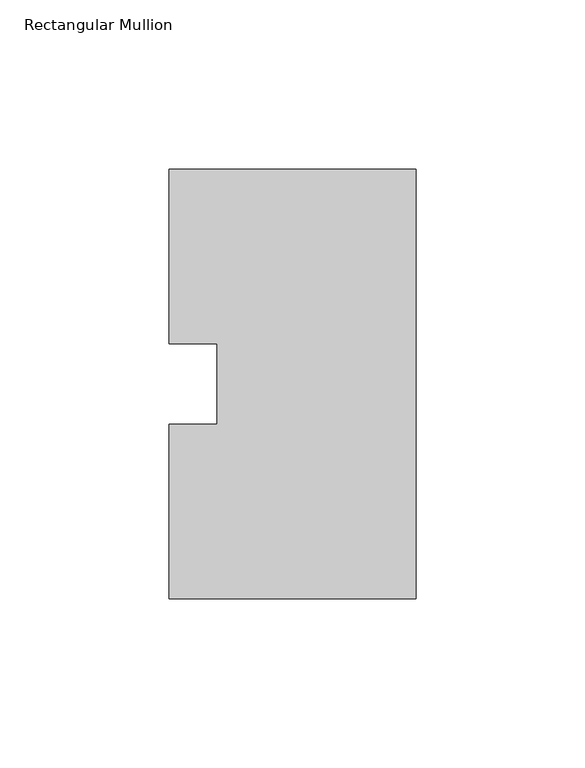
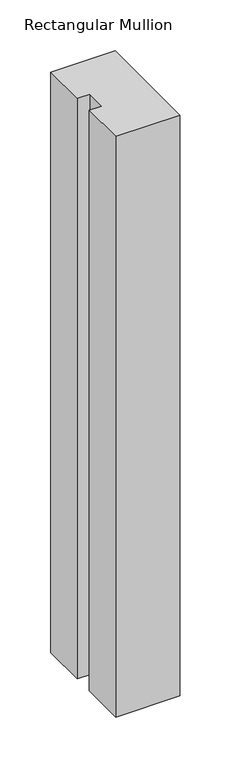
"""IFC4 building model written with IfcOpenShell, lengths in millimetres: member geometry, Rectangular Mullion."""

from ifc_helpers import new_model, si_unit, frame, origin, place, context, project, spatial, polyline, outline, extrude, source, transform, mapped, element, save


def rectangular_mullion_02cccaef(model_context):
    return source(origin(), model_context, "Body", "SweptSolid", [
        extrude(outline(polyline([(0.0, 127.00635), (0.0, 0.00635), (-73.025, 0.00635), (-73.025, 51.60645), (-58.7375, 51.60645), (-58.7375, 75.40625), (-73.025, 75.40625), (-73.025, 127.00635), (0.0, 127.00635)])), frame((0.0, 0.0, -696.0968109), z_axis=(0.0, 0.0, 1.0), x_axis=(1.0, 0.0, 0.0)), (0.0, 0.0, 1.0), 696.0968109),
    ])


if __name__ == "__main__":
    model = new_model("IFC4")
    model_context = context("Model", 3, world=origin())
    ifc_project = project(units=[si_unit("LENGTHUNIT", "METRE", prefix="MILLI")], contexts=[model_context])
    site = spatial("IfcSite", under=ifc_project)
    building = spatial("IfcBuilding", under=site)
    placement = place(None, origin())
    rectangular_mullion_shape = rectangular_mullion_02cccaef(model_context)
    element("IfcMember", 1, ObjectType="Rectangular Mullion", at=placement, inside=building, context=model_context, shape_type="MappedRepresentation", body=[
        mapped(rectangular_mullion_shape, transform((0.0, 0.0, 0.0), x_axis=(1.0, 0.0, 0.0), y_axis=(0.0, 1.0, 0.0), z_axis=(0.0, 0.0, 1.0))),
    ])
    save(model, "model.ifc")
